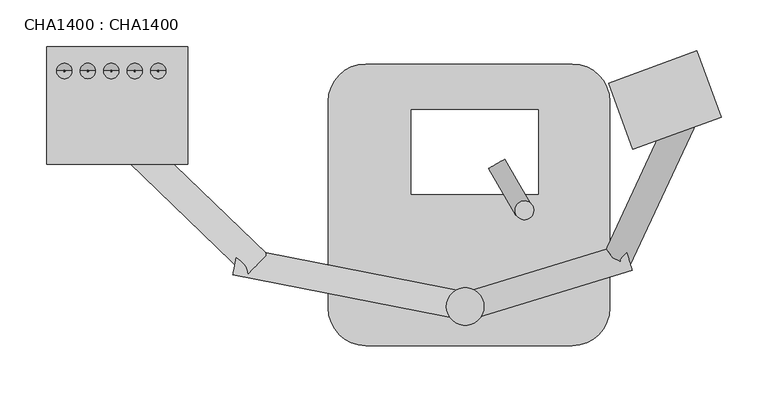
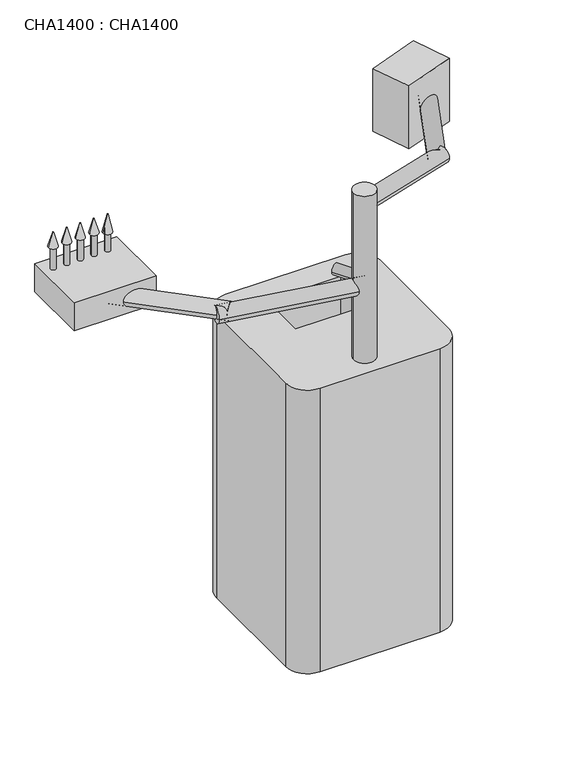
"""IFC4 building model written with IfcOpenShell, lengths in millimetres: proxy geometry, CHA1400 : CHA1400."""

from ifc_helpers import new_model, si_unit, point, frame, frame_2d, origin, origin_with_axes, place, context, project, spatial, polyline, circle_curve, trimmed, segment, composite_curve, outline, extrude, source, transform, mapped, element, save
from ifc_brep_helpers import plane_surface, revolved_surface, advanced_brep


def cha1400_cha1400_6bebb83a(model_context):
    return source(origin(), model_context, "Body", "SolidModel", [
        extrude(outline(composite_curve([segment(trimmed(circle_curve(frame_2d((0.0, -10.0)), 10.0), [point((0.0, -19.9999999))], [point((0.0, 0.0))], False, "CARTESIAN"), True, "CONTINUOUS"), segment(trimmed(circle_curve(frame_2d((0.0, -10.0)), 10.0), [point((0.0, 0.0))], [point((0.0, -19.9999999))], False, "CARTESIAN"), True, "CONTINUOUS")], self_intersect=False)), frame((516.7060967, -169.40282, 615.1540816), z_axis=(-0.4999999999999925, 0.866025403784443, 0.0), x_axis=(0.0, 0.0, 1.0)), (0.0, 0.0, 1.0), 57.6129318),
        extrude(outline(composite_curve([segment(trimmed(circle_curve(frame_2d((508.7529523, -174.0838401)), 10.0), [point((513.7529523, -182.7440942))], [point((503.7529523, -165.4235861))], False, "CARTESIAN"), True, "CONTINUOUS"), segment(trimmed(circle_curve(frame_2d((508.7529523, -174.0838401)), 10.0), [point((503.7529523, -165.4235861))], [point((513.7529523, -182.7440942))], False, "CARTESIAN"), True, "CONTINUOUS")], self_intersect=False)), frame((0.0, 0.0, 550.0), z_axis=(0.0, 0.0, 1.0), x_axis=(1.0, 0.0, 0.0)), (0.0, 0.0, 1.0), 81.7298585),
        extrude(outline(polyline([(692.6152759, -4.2892212), (718.2667866, -74.7661678), (624.2975246, -108.9681821), (598.6460138, -38.4912356), (692.6152759, -4.2892212)])), frame((0.0, 0.0, 787.8177316), z_axis=(0.0, 0.0, 1.0), x_axis=(1.0, 0.0, 0.0)), (0.0, 0.0, 1.0), 122.0281806),
        extrude(outline(composite_curve([segment(trimmed(circle_curve(frame_2d((0.0, -15.0)), 15.0), [point((0.0, -30.0))], [point((0.0, 0.0))], False, "CARTESIAN"), True, "CONTINUOUS"), segment(trimmed(circle_curve(frame_2d((0.0, -15.0)), 15.0), [point((0.0, 0.0))], [point((0.0, -30.0))], False, "CARTESIAN"), True, "CONTINUOUS")], self_intersect=False)), frame((620.8381391, -233.1116719, 848.546314), z_axis=(0.4226182617407122, 0.906307787036644, 0.0), x_axis=(0.0, 0.0, 1.0)), (0.0, 0.0, 1.0), 178.6787431),
        advanced_brep(
        [(117.7704331, -25.5605369, 787.8177316), (119.3434753, -25.5605369, 787.8177316), (110.4133069, -25.5605369, 753.4267351), (126.7006015, -25.5605369, 753.4267351)],
        [
            (0, 1, circle_curve(frame((118.5569542, -25.5605369, 787.8177316), z_axis=(0.0, 0.0, 1.0), x_axis=(-1.0, 0.0, 0.0)), 0.7865211)),
            (1, 0, circle_curve(frame((118.5569542, -25.5605369, 787.8177316), z_axis=(0.0, 0.0, 1.0), x_axis=(1.0, 0.0, 0.0)), 0.7865211)),
            (2, 3, circle_curve(frame((118.5569542, -25.5605369, 753.4267351), z_axis=(0.0, 0.0, -1.0), x_axis=(1.0, 0.0, 0.0)), 8.1436473)),
            (3, 2, circle_curve(frame((118.5569542, -25.5605369, 753.4267351), z_axis=(0.0, 0.0, -1.0), x_axis=(-1.0, 0.0, 0.0)), 8.1436473)),
            (3, 1),
            (0, 2),
        ],
        [
            plane_surface(frame((118.5569542, -25.5605369, 787.8177316), z_axis=(0.0, 0.0, 1.0), x_axis=(0.0, -1.0, 0.0))),
            plane_surface(frame((118.5569542, -25.5605369, 753.4267351), z_axis=(0.0, 0.0, -1.0), x_axis=(0.0, -1.0, 0.0))),
            revolved_surface(polyline([(117.77043314830883, -25.5605369, 787.8177316), (110.4133069, -25.5605369, 753.4267351)]), (118.5569542, -25.5605369, 791.494336), (0.0, 0.0, -1.0)),
            revolved_surface(polyline([(119.34347525169119, -25.5605369, 787.8177316), (126.7006015, -25.5605369, 753.4267351)]), (118.5569542, -25.5605369, 791.494336), (0.0, 0.0, -1.0)),
        ],
        [
            (0, [[1, 2]]),
            (1, [[3, 4]]),
            (2, [[-4, 5, -1, 6]]),
            (3, [[-3, -6, -2, -5]]),
        ],
    ),
        advanced_brep(
        [(92.7704331, -25.5605369, 787.8177316), (94.3434753, -25.5605369, 787.8177316), (85.4133069, -25.5605369, 760.4286091), (101.7006015, -25.5605369, 760.4286091)],
        [
            (0, 1, circle_curve(frame((93.5569542, -25.5605369, 787.8177316), z_axis=(0.0, 0.0, 1.0), x_axis=(-1.0, 0.0, 0.0)), 0.7865211)),
            (1, 0, circle_curve(frame((93.5569542, -25.5605369, 787.8177316), z_axis=(0.0, 0.0, 1.0), x_axis=(1.0, 0.0, 0.0)), 0.7865211)),
            (2, 3, circle_curve(frame((93.5569542, -25.5605369, 760.4286091), z_axis=(0.0, 0.0, -1.0), x_axis=(1.0, 0.0, 0.0)), 8.1436473)),
            (3, 2, circle_curve(frame((93.5569542, -25.5605369, 760.4286091), z_axis=(0.0, 0.0, -1.0), x_axis=(-1.0, 0.0, 0.0)), 8.1436473)),
            (3, 1),
            (0, 2),
        ],
        [
            plane_surface(frame((93.5569542, -25.5605369, 787.8177316), z_axis=(0.0, 0.0, 1.0), x_axis=(0.0, -1.0, 0.0))),
            plane_surface(frame((93.5569542, -25.5605369, 760.4286091), z_axis=(0.0, 0.0, -1.0), x_axis=(0.0, -1.0, 0.0))),
            revolved_surface(polyline([(92.77043316059347, -25.5605369, 787.8177316), (85.4133069, -25.5605369, 760.4286091)]), (93.5569542, -25.5605369, 790.7457935), (0.0, 0.0, -1.0)),
            revolved_surface(polyline([(94.34347523940654, -25.5605369, 787.8177316), (101.7006015, -25.5605369, 760.4286091)]), (93.5569542, -25.5605369, 790.7457935), (0.0, 0.0, -1.0)),
        ],
        [
            (0, [[1, 2]]),
            (1, [[3, 4]]),
            (2, [[-4, 5, -1, 6]]),
            (3, [[-3, -6, -2, -5]]),
        ],
    ),
        advanced_brep(
        [(67.7704331, -25.5605369, 787.8177316), (69.3434753, -25.5605369, 787.8177316), (60.4133069, -25.5605369, 760.4286091), (76.7006015, -25.5605369, 760.4286091)],
        [
            (0, 1, circle_curve(frame((68.5569542, -25.5605369, 787.8177316), z_axis=(0.0, 0.0, 1.0), x_axis=(-1.0, 0.0, 0.0)), 0.7865211)),
            (1, 0, circle_curve(frame((68.5569542, -25.5605369, 787.8177316), z_axis=(0.0, 0.0, 1.0), x_axis=(1.0, 0.0, 0.0)), 0.7865211)),
            (2, 3, circle_curve(frame((68.5569542, -25.5605369, 760.4286091), z_axis=(0.0, 0.0, -1.0), x_axis=(1.0, 0.0, 0.0)), 8.1436473)),
            (3, 2, circle_curve(frame((68.5569542, -25.5605369, 760.4286091), z_axis=(0.0, 0.0, -1.0), x_axis=(-1.0, 0.0, 0.0)), 8.1436473)),
            (3, 1),
            (0, 2),
        ],
        [
            plane_surface(frame((68.5569542, -25.5605369, 787.8177316), z_axis=(0.0, 0.0, 1.0), x_axis=(0.0, -1.0, 0.0))),
            plane_surface(frame((68.5569542, -25.5605369, 760.4286091), z_axis=(0.0, 0.0, -1.0), x_axis=(0.0, -1.0, 0.0))),
            revolved_surface(polyline([(67.77043316059347, -25.5605369, 787.8177316), (60.4133069, -25.5605369, 760.4286091)]), (68.5569542, -25.5605369, 790.7457935), (0.0, 0.0, -1.0)),
            revolved_surface(polyline([(69.34347523940654, -25.5605369, 787.8177316), (76.7006015, -25.5605369, 760.4286091)]), (68.5569542, -25.5605369, 790.7457935), (0.0, 0.0, -1.0)),
        ],
        [
            (0, [[1, 2]]),
            (1, [[3, 4]]),
            (2, [[-4, 5, -1, 6]]),
            (3, [[-3, -6, -2, -5]]),
        ],
    ),
        advanced_brep(
        [(42.7704331, -25.5605369, 787.8177316), (44.3434753, -25.5605369, 787.8177316), (35.4133069, -25.5605369, 760.4286091), (51.7006015, -25.5605369, 760.4286091)],
        [
            (0, 1, circle_curve(frame((43.5569542, -25.5605369, 787.8177316), z_axis=(0.0, 0.0, 1.0), x_axis=(-1.0, 0.0, 0.0)), 0.7865211)),
            (1, 0, circle_curve(frame((43.5569542, -25.5605369, 787.8177316), z_axis=(0.0, 0.0, 1.0), x_axis=(1.0, 0.0, 0.0)), 0.7865211)),
            (2, 3, circle_curve(frame((43.5569542, -25.5605369, 760.4286091), z_axis=(0.0, 0.0, -1.0), x_axis=(1.0, 0.0, 0.0)), 8.1436473)),
            (3, 2, circle_curve(frame((43.5569542, -25.5605369, 760.4286091), z_axis=(0.0, 0.0, -1.0), x_axis=(-1.0, 0.0, 0.0)), 8.1436473)),
            (3, 1),
            (0, 2),
        ],
        [
            plane_surface(frame((43.5569542, -25.5605369, 787.8177316), z_axis=(0.0, 0.0, 1.0), x_axis=(0.0, -1.0, 0.0))),
            plane_surface(frame((43.5569542, -25.5605369, 760.4286091), z_axis=(0.0, 0.0, -1.0), x_axis=(0.0, -1.0, 0.0))),
            revolved_surface(polyline([(42.770433160593456, -25.5605369, 787.8177316), (35.4133069, -25.5605369, 760.4286091)]), (43.5569542, -25.5605369, 790.7457935), (0.0, 0.0, -1.0)),
            revolved_surface(polyline([(44.343475239406544, -25.5605369, 787.8177316), (51.7006015, -25.5605369, 760.4286091)]), (43.5569542, -25.5605369, 790.7457935), (0.0, 0.0, -1.0)),
        ],
        [
            (0, [[1, 2]]),
            (1, [[3, 4]]),
            (2, [[-4, 5, -1, 6]]),
            (3, [[-3, -6, -2, -5]]),
        ],
    ),
        advanced_brep(
        [(17.7704331, -25.5605369, 787.8177316), (19.3434753, -25.5605369, 787.8177316), (10.4133069, -25.5605369, 760.4286091), (26.7006015, -25.5605369, 760.4286091)],
        [
            (0, 1, circle_curve(frame((18.5569542, -25.5605369, 787.8177316), z_axis=(0.0, 0.0, 1.0), x_axis=(-1.0, 0.0, 0.0)), 0.7865211)),
            (1, 0, circle_curve(frame((18.5569542, -25.5605369, 787.8177316), z_axis=(0.0, 0.0, 1.0), x_axis=(1.0, 0.0, 0.0)), 0.7865211)),
            (2, 3, circle_curve(frame((18.5569542, -25.5605369, 760.4286091), z_axis=(0.0, 0.0, -1.0), x_axis=(1.0, 0.0, 0.0)), 8.1436473)),
            (3, 2, circle_curve(frame((18.5569542, -25.5605369, 760.4286091), z_axis=(0.0, 0.0, -1.0), x_axis=(-1.0, 0.0, 0.0)), 8.1436473)),
            (3, 1),
            (0, 2),
        ],
        [
            plane_surface(frame((18.5569542, -25.5605369, 787.8177316), z_axis=(0.0, 0.0, 1.0), x_axis=(0.0, -1.0, 0.0))),
            plane_surface(frame((18.5569542, -25.5605369, 760.4286091), z_axis=(0.0, 0.0, -1.0), x_axis=(0.0, -1.0, 0.0))),
            revolved_surface(polyline([(17.77043316059346, -25.5605369, 787.8177316), (10.4133069, -25.5605369, 760.4286091)]), (18.5569542, -25.5605369, 790.7457935), (0.0, 0.0, -1.0)),
            revolved_surface(polyline([(19.34347523940654, -25.5605369, 787.8177316), (26.7006015, -25.5605369, 760.4286091)]), (18.5569542, -25.5605369, 790.7457935), (0.0, 0.0, -1.0)),
        ],
        [
            (0, [[1, 2]]),
            (1, [[3, 4]]),
            (2, [[-4, 5, -1, 6]]),
            (3, [[-3, -6, -2, -5]]),
        ],
    ),
        extrude(outline(composite_curve([segment(trimmed(circle_curve(frame_2d((118.8282212, -25.4656266)), 5.0), [point((113.8282212, -25.4656266))], [point((123.8282212, -25.4656266))], False, "CARTESIAN"), True, "CONTINUOUS"), segment(trimmed(circle_curve(frame_2d((118.8282212, -25.4656266)), 5.0), [point((123.8282212, -25.4656266))], [point((113.8282212, -25.4656266))], False, "CARTESIAN"), True, "CONTINUOUS")], self_intersect=False)), frame((0.0, 0.0, 717.6094699), z_axis=(0.0, 0.0, 1.0), x_axis=(1.0, 0.0, 0.0)), (0.0, 0.0, 1.0), 42.8191392),
        extrude(outline(composite_curve([segment(trimmed(circle_curve(frame_2d((93.8282212, -25.4656266)), 5.0), [point((88.8282212, -25.4656266))], [point((98.8282212, -25.4656266))], False, "CARTESIAN"), True, "CONTINUOUS"), segment(trimmed(circle_curve(frame_2d((93.8282212, -25.4656266)), 5.0), [point((98.8282212, -25.4656266))], [point((88.8282212, -25.4656266))], False, "CARTESIAN"), True, "CONTINUOUS")], self_intersect=False)), frame((0.0, 0.0, 717.6094699), z_axis=(0.0, 0.0, 1.0), x_axis=(1.0, 0.0, 0.0)), (0.0, 0.0, 1.0), 42.8191392),
        extrude(outline(composite_curve([segment(trimmed(circle_curve(frame_2d((68.8282212, -25.4656266)), 5.0), [point((63.8282212, -25.4656266))], [point((73.8282212, -25.4656266))], False, "CARTESIAN"), True, "CONTINUOUS"), segment(trimmed(circle_curve(frame_2d((68.8282212, -25.4656266)), 5.0), [point((73.8282212, -25.4656266))], [point((63.8282212, -25.4656266))], False, "CARTESIAN"), True, "CONTINUOUS")], self_intersect=False)), frame((0.0, 0.0, 717.6094699), z_axis=(0.0, 0.0, 1.0), x_axis=(1.0, 0.0, 0.0)), (0.0, 0.0, 1.0), 42.8191392),
        extrude(outline(composite_curve([segment(trimmed(circle_curve(frame_2d((43.8282212, -25.4656266)), 5.0), [point((38.8282212, -25.4656266))], [point((48.8282212, -25.4656266))], False, "CARTESIAN"), True, "CONTINUOUS"), segment(trimmed(circle_curve(frame_2d((43.8282212, -25.4656266)), 5.0), [point((48.8282212, -25.4656266))], [point((38.8282212, -25.4656266))], False, "CARTESIAN"), True, "CONTINUOUS")], self_intersect=False)), frame((0.0, 0.0, 717.6094699), z_axis=(0.0, 0.0, 1.0), x_axis=(1.0, 0.0, 0.0)), (0.0, 0.0, 1.0), 42.8191392),
        extrude(outline(composite_curve([segment(trimmed(circle_curve(frame_2d((18.8282212, -25.4656266)), 5.0), [point((13.8282212, -25.4656266))], [point((23.8282212, -25.4656266))], False, "CARTESIAN"), True, "CONTINUOUS"), segment(trimmed(circle_curve(frame_2d((18.8282212, -25.4656266)), 5.0), [point((23.8282212, -25.4656266))], [point((13.8282212, -25.4656266))], False, "CARTESIAN"), True, "CONTINUOUS")], self_intersect=False)), frame((0.0, 0.0, 717.6094699), z_axis=(0.0, 0.0, 1.0), x_axis=(1.0, 0.0, 0.0)), (0.0, 0.0, 1.0), 42.8191392),
        extrude(outline(polyline([(150.0, 0.0), (150.0, -125.0), (0.0, -125.0), (0.0, 0.0), (150.0, 0.0)])), frame((0.0, 0.0, 663.1064969), z_axis=(0.0, 0.0, 1.0), x_axis=(1.0, 0.0, 0.0)), (0.0, 0.0, 1.0), 54.502973),
        extrude(outline(composite_curve([segment(trimmed(circle_curve(frame_2d((0.0, -15.9801888)), 15.9801888), [point((0.0, -31.9603777))], [point((0.0, 0.0))], False, "CARTESIAN"), True, "CONTINUOUS"), segment(trimmed(circle_curve(frame_2d((0.0, -15.9801888)), 15.9801888), [point((0.0, 0.0))], [point((0.0, -31.9603777))], False, "CARTESIAN"), True, "CONTINUOUS")], self_intersect=False)), frame((212.3838788, -243.8348048, 688.3454789), z_axis=(-0.7191753113370806, 0.6948286634582753, 0.0), x_axis=(0.0, 0.0, -1.0)), (0.0, 0.0, 1.0), 195.7516229),
        extrude(outline(composite_curve([segment(trimmed(circle_curve(frame_2d((0.0, -15.0)), 15.0), [point((0.0, -30.0))], [point((0.0, 0.0))], False, "CARTESIAN"), True, "CONTINUOUS"), segment(trimmed(circle_curve(frame_2d((0.0, -15.0)), 15.0), [point((0.0, 0.0))], [point((0.0, -30.0))], False, "CARTESIAN"), True, "CONTINUOUS")], self_intersect=False)), frame((452.775811, -290.400477, 848.546314), z_axis=(0.9563047559630374, 0.29237170472273044, 0.0), x_axis=(0.0, 0.0, 1.0)), (0.0, 0.0, 1.0), 178.6787431),
        extrude(outline(composite_curve([segment(trimmed(circle_curve(frame_2d((0.0, -15.0)), 15.0), [point((0.0, -30.0))], [point((0.0, 0.0))], False, "CARTESIAN"), True, "CONTINUOUS"), segment(trimmed(circle_curve(frame_2d((0.0, -15.0)), 15.0), [point((0.0, 0.0))], [point((0.0, -30.0))], False, "CARTESIAN"), True, "CONTINUOUS")], self_intersect=False)), frame((445.5281005, -291.065784, 687.2195507), z_axis=(-0.9816271834476628, 0.1908089953765514, 0.0), x_axis=(0.0, 0.0, -1.0)), (0.0, 0.0, 1.0), 252.1450401),
        extrude(outline(composite_curve([segment(trimmed(circle_curve(frame_2d((445.6562192, -276.564792)), 20.0), [point((425.6562192, -276.564792))], [point((465.6562192, -276.564792))], False, "CARTESIAN"), True, "CONTINUOUS"), segment(trimmed(circle_curve(frame_2d((445.6562192, -276.564792)), 20.0), [point((465.6562192, -276.564792))], [point((425.6562192, -276.564792))], False, "CARTESIAN"), True, "CONTINUOUS")], self_intersect=False)), origin_with_axes(), (0.0, 0.0, 1.0), 873.3443808),
        extrude(outline(composite_curve([segment(trimmed(circle_curve(frame_2d((559.7538945, -58.1415362)), 40.0), [point((559.7538945, -18.1415362))], [point((599.7538945, -58.1415362))], False, "CARTESIAN"), True, "CONTINUOUS"), segment(polyline([(599.7538945, -58.1415362), (599.7538945, -278.1415362)]), True, "CONTINUOUS"), segment(trimmed(circle_curve(frame_2d((559.7538945, -278.1415362)), 40.0), [point((599.7538945, -278.1415362))], [point((559.7538945, -318.1415362))], False, "CARTESIAN"), True, "CONTINUOUS"), segment(polyline([(559.7538945, -318.1415362), (339.7538945, -318.1415362)]), True, "CONTINUOUS"), segment(trimmed(circle_curve(frame_2d((339.7538945, -278.1415362)), 40.0), [point((339.7538945, -318.1415362))], [point((299.7538945, -278.1415362))], False, "CARTESIAN"), True, "CONTINUOUS"), segment(polyline([(299.7538945, -278.1415362), (299.7538945, -58.1415362)]), True, "CONTINUOUS"), segment(trimmed(circle_curve(frame_2d((339.7538945, -58.1415362)), 40.0), [point((299.7538945, -58.1415362))], [point((339.7538945, -18.1415362))], False, "CARTESIAN"), True, "CONTINUOUS"), segment(polyline([(339.7538945, -18.1415362), (559.7538945, -18.1415362)]), True, "CONTINUOUS")], self_intersect=False), holes=[polyline([(523.3460048, -66.7667691), (388.3460048, -66.7667691), (388.3460048, -156.7667691), (523.3460048, -156.7667691), (523.3460048, -66.7667691)])]), origin_with_axes(), (0.0, 0.0, 1.0), 550.0),
    ])


if __name__ == "__main__":
    model = new_model("IFC4")
    model_context = context("Model", 3, world=origin())
    ifc_project = project(units=[si_unit("LENGTHUNIT", "METRE", prefix="MILLI")], contexts=[model_context])
    site = spatial("IfcSite", under=ifc_project)
    building = spatial("IfcBuilding", under=site)
    placement = place(None, origin())
    cha1400_cha1400_shape = cha1400_cha1400_6bebb83a(model_context)
    element("IfcBuildingElementProxy", 1, Name="CHA1400 : CHA1400", ObjectType="CHA1400 : CHA1400", at=placement, inside=building, context=model_context, shape_type="MappedRepresentation", body=[
        mapped(cha1400_cha1400_shape, transform((0.0, 0.0, 0.0), x_axis=(1.0, 0.0, 0.0), y_axis=(0.0, 1.0, 0.0), z_axis=(0.0, 0.0, 1.0))),
    ])
    save(model, "model.ifc")
